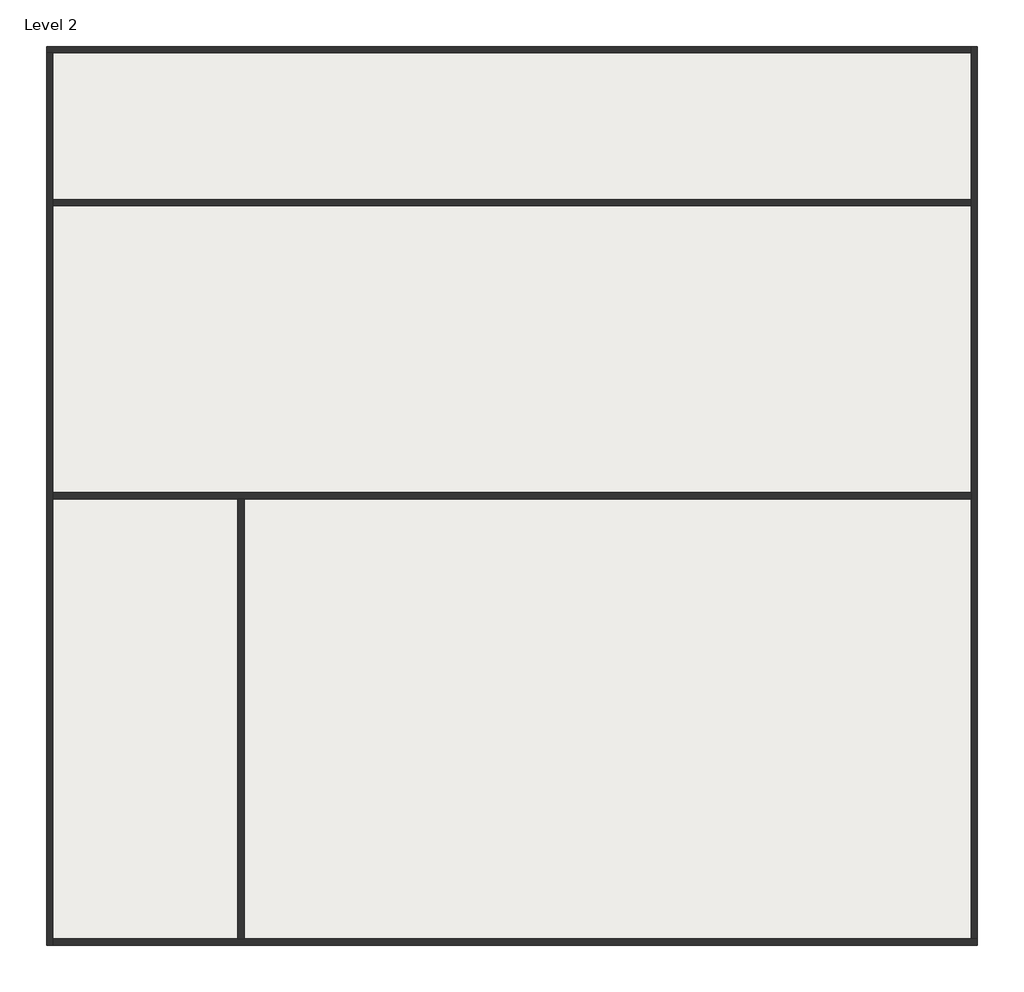
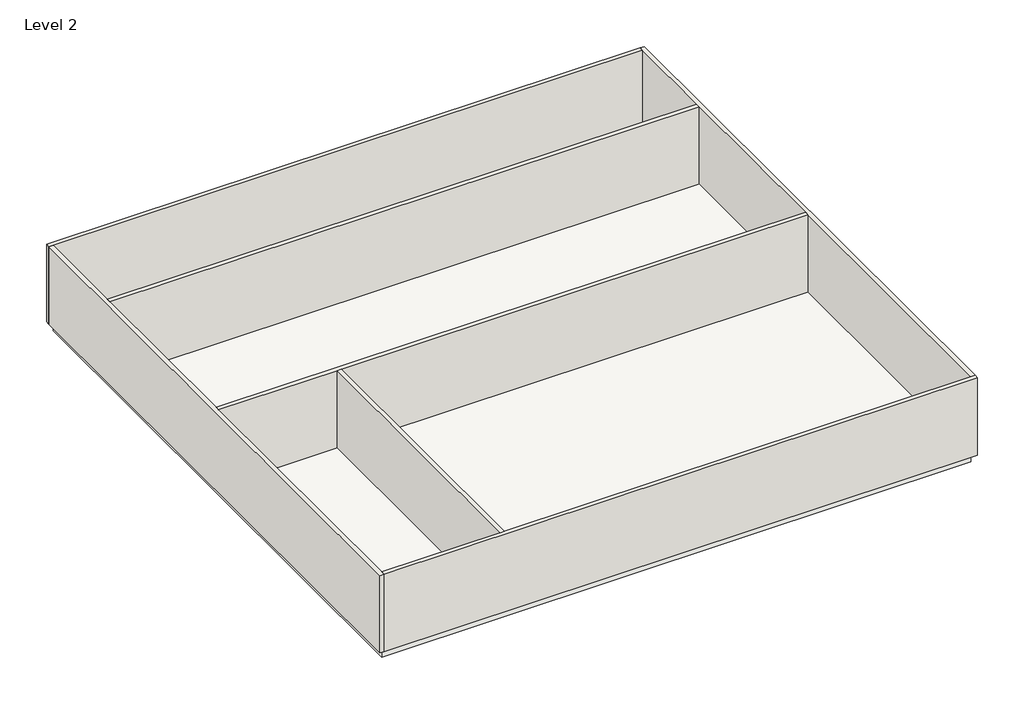
# One storey: 7 walls, 1 slab.
"""IFC4 building model written with IfcOpenShell, lengths in millimetres."""

from ifc_helpers import new_model, si_unit, frame, origin, place, context, project, spatial, polyline, outline, extrude, faceted_brep, element, save

model = new_model("IFC4")

# Units and contexts
model_context = context("Model", 3, world=origin())
ifc_project = project(units=[si_unit("LENGTHUNIT", "METRE", prefix="MILLI")], contexts=[model_context])

# Site, building, storey
site = spatial("IfcSite", under=ifc_project)
building = spatial("IfcBuilding", under=site)
storey = spatial("IfcBuildingStorey", under=building, Name="Level 2", Elevation=4000.0)

# Slab
placement = place(None, origin())
element("IfcSlab", 1, ObjectType="Generic Floor - 400mm", at=placement, inside=storey, context=model_context, shape_type="SweptSolid", body=[
    extrude(outline(polyline([(-13024.8992518, 13536.3180542), (15775.1007482, 13536.3180542), (15775.1007482, -14263.6819458), (-13024.8992518, -14263.6819458), (-13024.8992518, 13536.3180542)])), frame((0.0, 0.0, 3600.0), z_axis=(0.0, 0.0, 1.0), x_axis=(1.0, 0.0, 0.0)), (0.0, 0.0, 1.0), 400.0),
])

# Walls
element("IfcWall", 2, ObjectType="Generic - 200mm", at=placement, inside=storey, context=model_context, shape_type="Brep", body=[
    faceted_brep([(-13224.8992518, 13536.3180542, 4000.0), (-13024.8992518, 13536.3180542, 4000.0), (15775.1007482, 13536.3180542, 4000.0), (15775.1007482, 13536.3180542, 8000.0), (-13024.8992518, 13536.3180542, 8000.0), (-13224.8992518, 13536.3180542, 8000.0), (-13224.8992518, 13736.3180542, 4000.0), (-13224.8992518, 13736.3180542, 8000.0), (15775.1007482, 13736.3180542, 8000.0), (15775.1007482, 13736.3180542, 4000.0)], [[[0, 1, 2, 3, 4, 5]], [[6, 7, 8, 9]], [[2, 1, 0, 6, 9]], [[5, 4, 3, 8, 7]], [[0, 5, 7, 6]], [[3, 2, 9, 8]]]),
])
element("IfcWall", 3, ObjectType="Generic - 200mm", at=placement, inside=storey, context=model_context, shape_type="Brep", body=[
    faceted_brep([(-13024.8992518, -14463.6819458, 4000.0), (-13024.8992518, -14263.6819458, 4000.0), (-13024.8992518, -463.6819458, 4000.0), (-13024.8992518, -263.6819458, 4000.0), (-13024.8992518, 8736.3180542, 4000.0), (-13024.8992518, 8936.3180542, 4000.0), (-13024.8992518, 13536.3180542, 4000.0), (-13024.8992518, 13536.3180542, 8000.0), (-13024.8992518, 8936.3180542, 8000.0), (-13024.8992518, 8736.3180542, 8000.0), (-13024.8992518, -263.6819458, 8000.0), (-13024.8992518, -463.6819458, 8000.0), (-13024.8992518, -14263.6819458, 8000.0), (-13024.8992518, -14463.6819458, 8000.0), (-13224.8992518, -14463.6819458, 4000.0), (-13224.8992518, -14463.6819458, 8000.0), (-13224.8992518, 13536.3180542, 8000.0), (-13224.8992518, 13536.3180542, 4000.0)], [[[0, 1, 2, 3, 4, 5, 6, 7, 8, 9, 10, 11, 12, 13]], [[14, 15, 16, 17]], [[6, 5, 4, 3, 2, 1, 0, 14, 17]], [[13, 12, 11, 10, 9, 8, 7, 16, 15]], [[7, 6, 17, 16]], [[0, 13, 15, 14]]]),
])
element("IfcWall", 4, ObjectType="Generic - 200mm", at=placement, inside=storey, context=model_context, shape_type="Brep", body=[
    faceted_brep([(15975.1007482, -14263.6819458, 4000.0), (15775.1007482, -14263.6819458, 4000.0), (-7024.8992518, -14263.6819458, 4000.0), (-7224.8992518, -14263.6819458, 4000.0), (-13024.8992518, -14263.6819458, 4000.0), (-13024.8992518, -14263.6819458, 8000.0), (-7224.8992518, -14263.6819458, 8000.0), (-7024.8992518, -14263.6819458, 8000.0), (15775.1007482, -14263.6819458, 8000.0), (15975.1007482, -14263.6819458, 8000.0), (15975.1007482, -14463.6819458, 4000.0), (15975.1007482, -14463.6819458, 8000.0), (-13024.8992518, -14463.6819458, 8000.0), (-13024.8992518, -14463.6819458, 4000.0)], [[[0, 1, 2, 3, 4, 5, 6, 7, 8, 9]], [[10, 11, 12, 13]], [[4, 3, 2, 1, 0, 10, 13]], [[9, 8, 7, 6, 5, 12, 11]], [[5, 4, 13, 12]], [[0, 9, 11, 10]]]),
])
element("IfcWall", 5, ObjectType="Generic - 200mm", at=placement, inside=storey, context=model_context, shape_type="Brep", body=[
    faceted_brep([(15775.1007482, 13736.3180542, 4000.0), (15775.1007482, 13536.3180542, 4000.0), (15775.1007482, 8936.3180542, 4000.0), (15775.1007482, 8736.3180542, 4000.0), (15775.1007482, -263.6819458, 4000.0), (15775.1007482, -463.6819458, 4000.0), (15775.1007482, -14263.6819458, 4000.0), (15775.1007482, -14263.6819458, 8000.0), (15775.1007482, -463.6819458, 8000.0), (15775.1007482, -263.6819458, 8000.0), (15775.1007482, 8736.3180542, 8000.0), (15775.1007482, 8936.3180542, 8000.0), (15775.1007482, 13536.3180542, 8000.0), (15775.1007482, 13736.3180542, 8000.0), (15975.1007482, 13736.3180542, 4000.0), (15975.1007482, 13736.3180542, 8000.0), (15975.1007482, -14263.6819458, 8000.0), (15975.1007482, -14263.6819458, 4000.0)], [[[0, 1, 2, 3, 4, 5, 6, 7, 8, 9, 10, 11, 12, 13]], [[14, 15, 16, 17]], [[6, 5, 4, 3, 2, 1, 0, 14, 17]], [[13, 12, 11, 10, 9, 8, 7, 16, 15]], [[0, 13, 15, 14]], [[7, 6, 17, 16]]]),
])
element("IfcWall", 6, ObjectType="Generic - 200mm", at=placement, inside=storey, context=model_context, shape_type="SweptSolid", body=[
    extrude(outline(polyline([(15775.1007482, 8736.3180542), (-13024.8992518, 8736.3180542), (-13024.8992518, 8936.3180542), (15775.1007482, 8936.3180542), (15775.1007482, 8736.3180542)])), frame((0.0, 0.0, 4000.0), z_axis=(0.0, 0.0, 1.0), x_axis=(1.0, 0.0, 0.0)), (0.0, 0.0, 1.0), 4000.0),
])
element("IfcWall", 7, ObjectType="Generic - 200mm", at=placement, inside=storey, context=model_context, shape_type="Brep", body=[
    faceted_brep([(15775.1007482, -263.6819458, 4000.0), (-13024.8992518, -263.6819458, 4000.0), (-13024.8992518, -263.6819458, 8000.0), (15775.1007482, -263.6819458, 8000.0), (15775.1007482, -463.6819458, 4000.0), (15775.1007482, -463.6819458, 8000.0), (-7024.8992518, -463.6819458, 8000.0), (-7224.8992518, -463.6819458, 8000.0), (-13024.8992518, -463.6819458, 8000.0), (-13024.8992518, -463.6819458, 4000.0), (-7224.8992518, -463.6819458, 4000.0), (-7024.8992518, -463.6819458, 4000.0)], [[[0, 1, 2, 3]], [[4, 5, 6, 7, 8, 9, 10, 11]], [[1, 0, 4, 11, 10, 9]], [[3, 2, 8, 7, 6, 5]], [[2, 1, 9, 8]], [[0, 3, 5, 4]]]),
])
element("IfcWall", 8, ObjectType="Generic - 200mm", at=placement, inside=storey, context=model_context, shape_type="SweptSolid", body=[
    extrude(outline(polyline([(-7224.8992518, -14263.6819458), (-7224.8992518, -463.6819458), (-7024.8992518, -463.6819458), (-7024.8992518, -14263.6819458), (-7224.8992518, -14263.6819458)])), frame((0.0, 0.0, 4000.0), z_axis=(0.0, 0.0, 1.0), x_axis=(1.0, 0.0, 0.0)), (0.0, 0.0, 1.0), 4000.0),
])

save(model, "model.ifc")
